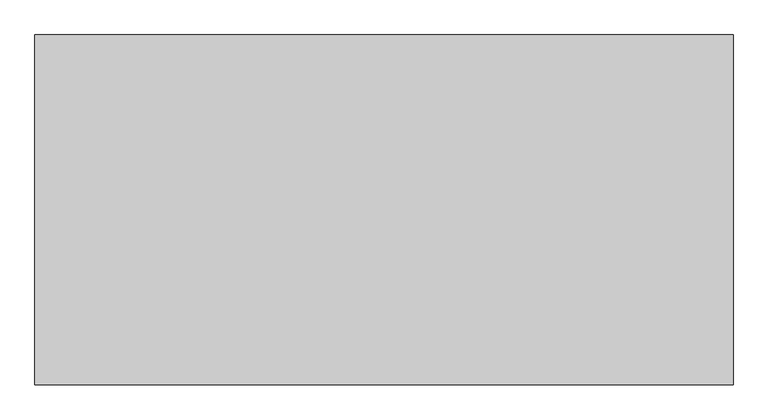
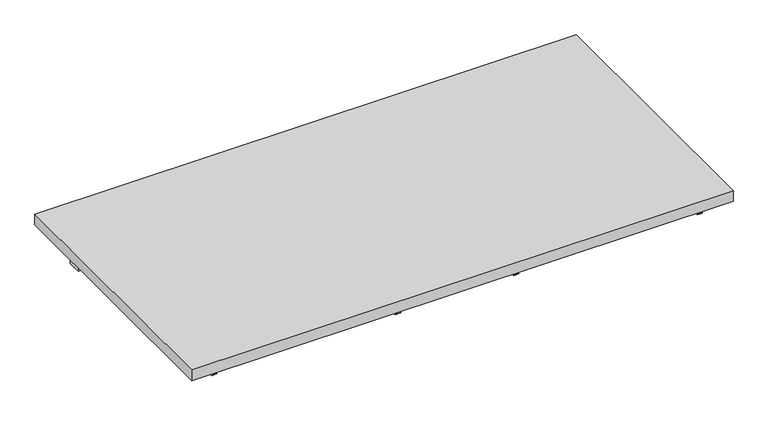
"""IFC4 building model written with IfcOpenShell, lengths in millimetres: furniture geometry."""

import ifcopenshell
import ifcopenshell.guid

model = None  # the IFC model being written
_history = None  # IfcOwnerHistory: only IFC2X3 demands one
_inside = {}  # id of a spatial element -> (the spatial element, [elements in it])
_under = {}  # id of a project, library or spatial element -> (it, [spatial elements below it])
_declared = {}  # id of a project -> (the project, [libraries it declares])
_typed = {}  # id of a type object -> (the type object, [elements of that type])
_made_of = {}  # id of a material, layer set ... -> (it, [elements and type objects made of it])


def new_model(schema):
    """Start an empty IFC model of exactly this schema.

    Asked for "IFC4X3", IfcOpenShell would pick the latest addendum, in which some entities
    have other attributes; the version numbers below select the first issue.
    IFC2X3 requires an IfcOwnerHistory on every rooted entity: one is made here for all.
    """
    global model, _history
    if schema == "IFC4X3":
        model = ifcopenshell.file(schema_version=(4, 3, 0, 0))
    else:
        model = ifcopenshell.file(schema=schema)
    _inside.clear()
    _under.clear()
    _declared.clear()
    _typed.clear()
    _made_of.clear()
    _history = None
    if model.schema == "IFC2X3":
        org = make("IfcOrganization", Name="unknown")
        user = make(
            "IfcPersonAndOrganization",
            ThePerson=make("IfcPerson", FamilyName="unknown"),
            TheOrganization=org,
        )
        app = make(
            "IfcApplication",
            ApplicationDeveloper=org,
            Version="unknown",
            ApplicationFullName="unknown",
            ApplicationIdentifier="unknown",
        )
        _history = make(
            "IfcOwnerHistory",
            OwningUser=user,
            OwningApplication=app,
            ChangeAction="ADDED",
            CreationDate=0,
        )
    return model


def make(cls, **values):
    """One entity of the class cls with the attributes given. An attribute that is None is left unset."""
    return model.create_entity(
        cls, **{name: value for name, value in values.items() if value is not None}
    )


def rooted(cls, **values):
    """An entity with a GlobalId (a new one), such as an element, a storey or a relation."""
    return make(cls, GlobalId=ifcopenshell.guid.new(), OwnerHistory=_history, **values)


def si_unit(unit_type, name, prefix=None):
    """IfcSIUnit, for example si_unit("LENGTHUNIT", "METRE", prefix="MILLI")."""
    return make("IfcSIUnit", UnitType=unit_type, Prefix=prefix, Name=name)


def assignment(units):
    """IfcUnitAssignment: the units of a project."""
    return None if units is None else make("IfcUnitAssignment", Units=units)


def point(xyz):
    """IfcCartesianPoint."""
    return None if xyz is None else make("IfcCartesianPoint", Coordinates=xyz)


def direction(xyz):
    """IfcDirection."""
    return None if xyz is None else make("IfcDirection", DirectionRatios=xyz)


def frame(location, z_axis=None, x_axis=None):
    """IfcAxis2Placement3D, a coordinate frame: its origin and axes. An axis left out is left unset."""
    return make(
        "IfcAxis2Placement3D",
        Location=point(location),
        Axis=direction(z_axis),
        RefDirection=direction(x_axis),
    )


def origin():
    """The frame at (0, 0, 0) with its axes left unset."""
    return frame((0.0, 0.0, 0.0))


def place(relative_to, where):
    """IfcLocalPlacement: puts the frame where relative to a parent placement (None: the world)."""
    return make(
        "IfcLocalPlacement", PlacementRelTo=relative_to, RelativePlacement=where
    )


def context(
    kind, dimensions, precision=None, world=None, true_north=None, identifier=None
):
    """IfcGeometricRepresentationContext, for example the 3D "Model" context."""
    return make(
        "IfcGeometricRepresentationContext",
        ContextIdentifier=identifier,
        ContextType=kind,
        CoordinateSpaceDimension=dimensions,
        Precision=precision,
        WorldCoordinateSystem=world,
        TrueNorth=true_north,
    )


def project(units=None, contexts=None):
    """IfcProject with its units and contexts."""
    return rooted(
        "IfcProject",
        Name="project",
        RepresentationContexts=contexts,
        UnitsInContext=assignment(units),
    )


def spatial(cls, under=None, at=None, **own):
    """A site, building, storey or space (cls), placed at a placement, below another one or the project."""
    s = rooted(cls, ObjectPlacement=at, **own)
    if under is not None:
        _under.setdefault(under.id(), (under, []))[1].append(s)
    return s


def polyline(points):
    """IfcPolyline through the points."""
    return make("IfcPolyline", Points=[point(p) for p in points])


def outline(outer, holes=None, kind="AREA"):
    """IfcArbitraryClosedProfileDef: a profile drawn as a closed curve; with holes, ...WithVoids."""
    if holes is None:
        return make("IfcArbitraryClosedProfileDef", ProfileType=kind, OuterCurve=outer)
    return make(
        "IfcArbitraryProfileDefWithVoids",
        ProfileType=kind,
        OuterCurve=outer,
        InnerCurves=holes,
    )


def extrude(swept, where, along, depth):
    """IfcExtrudedAreaSolid: the profile swept, set in the frame where, extruded along a direction by depth."""
    return make(
        "IfcExtrudedAreaSolid",
        SweptArea=swept,
        Position=where,
        ExtrudedDirection=direction(along),
        Depth=depth,
    )


def shape(context_of_items, identifier, shape_type, items):
    """IfcShapeRepresentation: the items that make up one representation, for example the "Body"."""
    return make(
        "IfcShapeRepresentation",
        ContextOfItems=context_of_items,
        RepresentationIdentifier=identifier,
        RepresentationType=shape_type,
        Items=items,
    )


def source(mapping_origin, context_of_items, identifier, shape_type, items):
    """IfcRepresentationMap: a shape defined once, which mapped items show again and again."""
    return make(
        "IfcRepresentationMap",
        MappingOrigin=mapping_origin,
        MappedRepresentation=shape(context_of_items, identifier, shape_type, items),
    )


def transform(
    local_origin,
    x_axis=None,
    y_axis=None,
    z_axis=None,
    scale=None,
    scale2=None,
    scale3=None,
    uniform=True,
):
    """IfcCartesianTransformationOperator3D, or its non-uniform kind. x_axis, y_axis, z_axis: its Axis1, 2, 3."""
    if uniform:
        return make(
            "IfcCartesianTransformationOperator3D",
            Axis1=direction(x_axis),
            Axis2=direction(y_axis),
            LocalOrigin=point(local_origin),
            Scale=scale,
            Axis3=direction(z_axis),
        )
    return make(
        "IfcCartesianTransformationOperator3DnonUniform",
        Axis1=direction(x_axis),
        Axis2=direction(y_axis),
        LocalOrigin=point(local_origin),
        Scale=scale,
        Axis3=direction(z_axis),
        Scale2=scale2,
        Scale3=scale3,
    )


def mapped(mapping_source, mapping_target):
    """IfcMappedItem: shows the shape of a source again, moved by a transform."""
    return make(
        "IfcMappedItem", MappingSource=mapping_source, MappingTarget=mapping_target
    )


def made_of(thing, what):
    """Note that an element or type object is made of a material, layer set ...; save() writes the relation."""
    if what is not None:
        _made_of.setdefault(what.id(), (what, []))[1].append(thing)
    return thing


def element(
    cls,
    number,
    at=None,
    inside=None,
    cuts=None,
    type_object=None,
    material=None,
    context=None,
    identifier="Body",
    shape_type=None,
    held_by="IfcProductDefinitionShape",
    body=None,
    shapes=None,
    **own,
):
    """One element of the class cls, such as IfcWall. Its Tag is "e" and its number.

    at: its placement. inside: the storey or other place that contains it. cuts: it is an
    opening in that element (IfcRelVoidsElement). A single representation is given by context,
    identifier, shape_type and body (its items); several are given by shapes. held_by: the class
    of the entity that holds the representations. save() writes the other relations.
    """
    e = rooted(cls, Tag="e%d" % number, ObjectPlacement=at, **own)
    if body is not None:
        shapes = [shape(context, identifier, shape_type, body)]
    if shapes is not None:
        e.Representation = make(held_by, Representations=shapes)
    if inside is not None:
        _inside.setdefault(inside.id(), (inside, []))[1].append(e)
    if cuts is not None:
        rooted(
            "IfcRelVoidsElement", RelatingBuildingElement=cuts, RelatedOpeningElement=e
        )
    if type_object is not None:
        _typed.setdefault(type_object.id(), (type_object, []))[1].append(e)
    return made_of(e, material)


def aggregate(whole, parts):
    """IfcRelAggregates: a whole, such as a stair, and the parts it consists of."""
    return rooted("IfcRelAggregates", RelatingObject=whole, RelatedObjects=parts)


def save(model, path):
    """Write the relations noted so far, then the file.

    IfcRelAggregates (storeys below a building ...), IfcRelContainedInSpatialStructure (elements
    in a storey), IfcRelDefinesByType, IfcRelAssociatesMaterial and IfcRelDeclares: one each for
    every whole, place, type object, material and project.
    """
    for whole, parts in _under.values():
        aggregate(whole, parts)
    for where, things in _inside.values():
        rooted(
            "IfcRelContainedInSpatialStructure",
            RelatedElements=things,
            RelatingStructure=where,
        )
    for kind, things in _typed.values():
        rooted("IfcRelDefinesByType", RelatedObjects=things, RelatingType=kind)
    for what, things in _made_of.values():
        rooted("IfcRelAssociatesMaterial", RelatedObjects=things, RelatingMaterial=what)
    for by, libraries in _declared.values():
        rooted("IfcRelDeclares", RelatingContext=by, RelatedDefinitions=libraries)
    model.write(path)


def furniture_a3a9a1bc(model_context):
    return source(origin(), model_context, "Body", "SweptSolid", [
        extrude(outline(polyline([(1217.6125, 254.0), (1217.6125, -508.0), (-303.2125, -508.0), (-303.2125, 254.0), (1217.6125, 254.0)])), frame((0.0, 0.0, 882.65), z_axis=(0.0, 0.0, 1.0), x_axis=(1.0, 0.0, 0.0)), (0.0, 0.0, 1.0), 31.75),
        extrude(outline(polyline([(1184.275, 139.7), (1184.275, 101.6), (-269.875, 101.6), (-269.875, 139.7), (1184.275, 139.7)])), frame((0.0, 0.0, 825.5), z_axis=(0.0, 0.0, 1.0), x_axis=(1.0, 0.0, 0.0)), (0.0, 0.0, 1.0), 57.15),
        extrude(outline(polyline([(858.8375, 617.5375), (882.65, 617.5375), (882.65, 615.95), (857.25, 615.95), (857.25, 630.2375), (858.8375, 630.2375), (858.8375, 617.5375)])), frame((0.0, -482.6, 0.0), z_axis=(0.0, 1.0, 0.0), x_axis=(0.0, 0.0, 1.0)), (0.0, 0.0, 1.0), 390.525),
        extrude(outline(polyline([(858.8375, 296.8625), (858.8375, 284.1625), (857.25, 284.1625), (857.25, 298.45), (882.65, 298.45), (882.65, 296.8625), (858.8375, 296.8625)])), frame((0.0, -482.6, 0.0), z_axis=(0.0, 1.0, 0.0), x_axis=(0.0, 0.0, 1.0)), (0.0, 0.0, 1.0), 390.525),
        extrude(outline(polyline([(858.8375, -230.1875), (882.65, -230.1875), (882.65, -231.775), (857.25, -231.775), (857.25, -217.4875), (858.8375, -217.4875), (858.8375, -230.1875)])), frame((0.0, -482.6, 0.0), z_axis=(0.0, 1.0, 0.0), x_axis=(0.0, 0.0, 1.0)), (0.0, 0.0, 1.0), 390.525),
        extrude(outline(polyline([(858.8375, 1144.5875), (858.8375, 1131.8875), (857.25, 1131.8875), (857.25, 1146.175), (882.65, 1146.175), (882.65, 1144.5875), (858.8375, 1144.5875)])), frame((0.0, -482.6, 0.0), z_axis=(0.0, 1.0, 0.0), x_axis=(0.0, 0.0, 1.0)), (0.0, 0.0, 1.0), 390.525),
    ])


if __name__ == "__main__":
    model = new_model("IFC4")
    model_context = context("Model", 3, world=origin())
    ifc_project = project(units=[si_unit("LENGTHUNIT", "METRE", prefix="MILLI")], contexts=[model_context])
    site = spatial("IfcSite", under=ifc_project)
    building = spatial("IfcBuilding", under=site)
    placement = place(None, origin())
    furniture_shape = furniture_a3a9a1bc(model_context)
    element("IfcFurniture", 1, at=placement, inside=building, context=model_context, shape_type="MappedRepresentation", body=[
        mapped(furniture_shape, transform((0.0, 0.0, 0.0), x_axis=(1.0, 0.0, 0.0), y_axis=(0.0, 1.0, 0.0), z_axis=(0.0, 0.0, 1.0))),
    ])
    save(model, "model.ifc")
